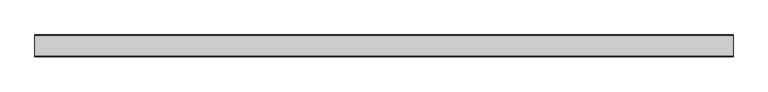
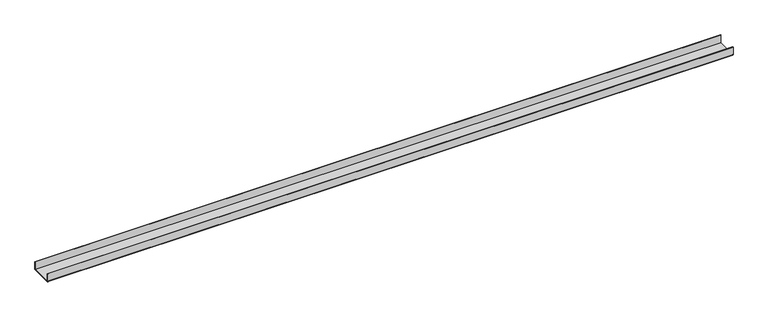
"""IFC4 building model written with IfcOpenShell, lengths in millimetres: proxy geometry."""

from ifc_helpers import new_model, si_unit, point, frame, frame_2d, origin, place, context, project, spatial, polyline, circle_curve, trimmed, segment, composite_curve, outline, extrude, source, transform, mapped, element, save


def generic_models_d821f218(model_context):
    return source(origin(), model_context, "Body", "SweptSolid", [
        extrude(outline(composite_curve([segment(polyline([(-50.5, 2.0), (-50.5, 40.0), (-48.5, 40.0), (-48.5, 2.0), (48.5, 2.0), (48.5, 40.0), (50.5, 40.0), (50.5, 2.0)]), True, "CONTINUOUS"), segment(trimmed(circle_curve(frame_2d((48.5, 2.0)), 2.0), [point((50.5, 2.0))], [point((48.5, 0.0))], False, "CARTESIAN"), True, "CONTINUOUS"), segment(polyline([(48.5, 0.0), (-48.5, 0.0)]), True, "CONTINUOUS"), segment(trimmed(circle_curve(frame_2d((-48.5, 2.0)), 2.0), [point((-48.5, 0.0))], [point((-50.5, 2.0))], False, "CARTESIAN"), True, "CONTINUOUS")], self_intersect=False)), frame((0.0, 0.0, 0.0), z_axis=(1.0, 0.0, 0.0), x_axis=(0.0, 1.0, 0.0)), (0.0, 0.0, 1.0), 3240.0),
    ])


if __name__ == "__main__":
    model = new_model("IFC4")
    model_context = context("Model", 3, world=origin())
    ifc_project = project(units=[si_unit("LENGTHUNIT", "METRE", prefix="MILLI")], contexts=[model_context])
    site = spatial("IfcSite", under=ifc_project)
    building = spatial("IfcBuilding", under=site)
    placement = place(None, origin())
    generic_models_shape = generic_models_d821f218(model_context)
    element("IfcBuildingElementProxy", 1, Name="Generic Models", at=placement, inside=building, context=model_context, shape_type="MappedRepresentation", body=[
        mapped(generic_models_shape, transform((0.0, 0.0, 0.0), x_axis=(1.0, 0.0, 0.0), y_axis=(0.0, 1.0, 0.0), z_axis=(0.0, 0.0, 1.0))),
    ])
    save(model, "model.ifc")
